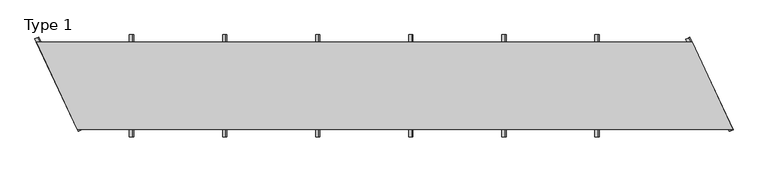
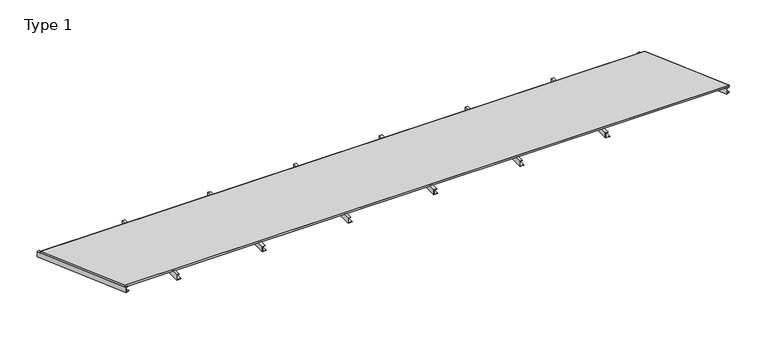
"""IFC4 building model written with IfcOpenShell, lengths in millimetres: proxy geometry, Type 1."""

from ifc_helpers import new_model, si_unit, frame, origin, place, context, project, spatial, polyline, outline, extrude, source, transform, mapped, element, save


def type_1_463e0aa8(model_context):
    return source(origin(), model_context, "Body", "SweptSolid", [
        extrude(outline(polyline([(0.0, 3215.1000188), (2.0, 3215.1000188), (2.0, 3187.1000188), (38.0, 3187.1000188), (38.0, 3205.1000188), (40.0, 3205.1000188), (40.0, 3185.1000188), (0.0, 3185.1000188), (0.0, 3215.1000188)])), frame((0.0, -50.0, 0.0), z_axis=(0.0, 1.0, 0.0), x_axis=(0.0, 0.0, 1.0)), (0.0, 0.0, 1.0), 700.0),
        extrude(outline(polyline([(0.0, 2578.080015), (2.0, 2578.080015), (2.0, 2550.080015), (38.0, 2550.080015), (38.0, 2568.080015), (40.0, 2568.080015), (40.0, 2548.080015), (0.0, 2548.080015), (0.0, 2578.080015)])), frame((0.0, -50.0, 0.0), z_axis=(0.0, 1.0, 0.0), x_axis=(0.0, 0.0, 1.0)), (0.0, 0.0, 1.0), 700.0),
        extrude(outline(polyline([(0.0, 1941.0600113), (2.0, 1941.0600113), (2.0, 1913.0600113), (38.0, 1913.0600113), (38.0, 1931.0600113), (40.0, 1931.0600113), (40.0, 1911.0600113), (0.0, 1911.0600113), (0.0, 1941.0600113)])), frame((0.0, -50.0, 0.0), z_axis=(0.0, 1.0, 0.0), x_axis=(0.0, 0.0, 1.0)), (0.0, 0.0, 1.0), 700.0),
        extrude(outline(polyline([(0.0, 1304.0400075), (2.0, 1304.0400075), (2.0, 1276.0400075), (38.0, 1276.0400075), (38.0, 1294.0400075), (40.0, 1294.0400075), (40.0, 1274.0400075), (0.0, 1274.0400075), (0.0, 1304.0400075)])), frame((0.0, -50.0, 0.0), z_axis=(0.0, 1.0, 0.0), x_axis=(0.0, 0.0, 1.0)), (0.0, 0.0, 1.0), 700.0),
        extrude(outline(polyline([(-30.0, 0.0), (-30.0, 2.0), (-2.0000001, 2.0), (-2.0000001, 38.0), (-20.0, 38.0), (-20.0, 40.0), (0.0, 40.0), (0.0, 0.0), (-30.0, 0.0)])), frame((4742.5623571, -14.4519898, 0.0), z_axis=(-0.4226182617406978, 0.9063077870366507, 0.0), x_axis=(-0.9063077870366507, -0.4226182617406978, 0.0)), (0.0, 0.0, 1.0), 700.0),
        extrude(outline(polyline([(-30.0, 0.0), (-30.0, 2.0), (-2.0000001, 2.0), (-2.0000001, 38.0), (-20.0, 38.0), (-20.0, 40.0), (0.0, 40.0), (0.0, 0.0), (-30.0, 0.0)])), frame((285.46773, -12.1875226, 0.0), z_axis=(-0.4226182617407065, 0.9063077870366466, 0.0), x_axis=(-0.9063077870366466, -0.4226182617407065, 0.0)), (0.0, 0.0, 1.0), 700.0),
        extrude(outline(polyline([(0.0, 3852.1200225), (2.0, 3852.1200225), (2.0, 3824.1200225), (38.0, 3824.1200225), (38.0, 3842.1200225), (40.0, 3842.1200225), (40.0, 3822.1200225), (0.0, 3822.1200225), (0.0, 3852.1200225)])), frame((0.0, -50.0, 0.0), z_axis=(0.0, 1.0, 0.0), x_axis=(0.0, 0.0, 1.0)), (0.0, 0.0, 1.0), 700.0),
        extrude(outline(polyline([(0.0, 667.0200038), (2.0, 667.0200038), (2.0, 639.0200038), (38.0, 639.0200038), (38.0, 657.0200038), (40.0, 657.0200038), (40.0, 637.0200038), (0.0, 637.0200038), (0.0, 667.0200038)])), frame((0.0, -50.0, 0.0), z_axis=(0.0, 1.0, 0.0), x_axis=(0.0, 0.0, 1.0)), (0.0, 0.0, 1.0), 700.0),
        extrude(outline(polyline([(4767.3549356, 1.0), (280.4216652, 1.0), (1.5696856, 599.0), (4488.502956, 599.0), (4767.3549356, 1.0)])), frame((0.0, 0.0, 40.0), z_axis=(0.0, 0.0, 1.0), x_axis=(1.0, 0.0, 0.0)), (0.0, 0.0, 1.0), 13.0),
        extrude(outline(polyline([(4768.9246212, 0.0), (279.7845949, 0.0), (0.0, 600.0), (4489.1400263, 600.0), (4768.9246212, 0.0)]), holes=[polyline([(4767.3549356, 1.0), (4488.502956, 599.0), (1.5696856, 599.0), (280.4216652, 1.0), (4767.3549356, 1.0)])]), frame((0.0, 0.0, 40.0), z_axis=(0.0, 0.0, 1.0), x_axis=(1.0, 0.0, 0.0)), (0.0, 0.0, 1.0), 13.0),
    ])


if __name__ == "__main__":
    model = new_model("IFC4")
    model_context = context("Model", 3, world=origin())
    ifc_project = project(units=[si_unit("LENGTHUNIT", "METRE", prefix="MILLI")], contexts=[model_context])
    site = spatial("IfcSite", under=ifc_project)
    building = spatial("IfcBuilding", under=site)
    placement = place(None, origin())
    type_1_shape = type_1_463e0aa8(model_context)
    element("IfcBuildingElementProxy", 1, Name="Type 1", ObjectType="Type 1", at=placement, inside=building, context=model_context, shape_type="MappedRepresentation", body=[
        mapped(type_1_shape, transform((0.0, 0.0, 0.0), x_axis=(1.0, 0.0, 0.0), y_axis=(0.0, 1.0, 0.0), z_axis=(0.0, 0.0, 1.0))),
    ])
    save(model, "model.ifc")
